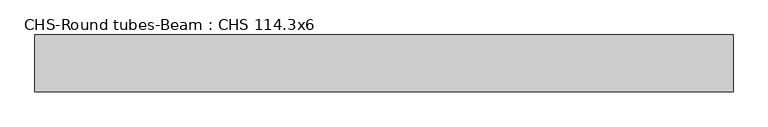
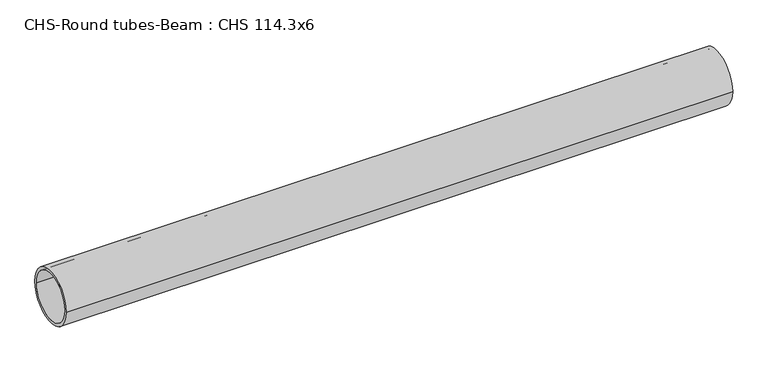
"""IFC4 building model written with IfcOpenShell, lengths in millimetres: beam geometry, CHS-Round tubes-Beam : CHS 114.3x6."""

from ifc_helpers import new_model, si_unit, point, frame, origin, origin_2d, place, context, project, spatial, circle_curve, trimmed, segment, composite_curve, outline, extrude, source, transform, mapped, element, save


def chs_round_tubes_beam_chs_114_3x6_f7d71fe4(model_context):
    return source(origin(), model_context, "Body", "SweptSolid", [
        extrude(outline(composite_curve([segment(trimmed(circle_curve(origin_2d(), 57.15), [point((57.15, 0.0))], [point((-57.15, 0.0))], False, "CARTESIAN"), True, "CONTINUOUS"), segment(trimmed(circle_curve(origin_2d(), 57.15), [point((-57.15, 0.0))], [point((57.15, 0.0))], False, "CARTESIAN"), True, "CONTINUOUS")], self_intersect=False), holes=[composite_curve([segment(trimmed(circle_curve(origin_2d(), 51.15), [point((51.15, 0.0))], [point((-51.15, 0.0))], True, "CARTESIAN"), True, "CONTINUOUS"), segment(trimmed(circle_curve(origin_2d(), 51.15), [point((-51.15, 0.0))], [point((51.15, 0.0))], True, "CARTESIAN"), True, "CONTINUOUS")], self_intersect=False)]), frame((-774.1832567, 0.0, 0.0), z_axis=(1.0, 0.0, 0.0), x_axis=(0.0, 1.0, 0.0)), (0.0, 0.0, 1.0), 1401.5161414),
    ])


if __name__ == "__main__":
    model = new_model("IFC4")
    model_context = context("Model", 3, world=origin())
    ifc_project = project(units=[si_unit("LENGTHUNIT", "METRE", prefix="MILLI")], contexts=[model_context])
    site = spatial("IfcSite", under=ifc_project)
    building = spatial("IfcBuilding", under=site)
    placement = place(None, origin())
    chs_round_tubes_beam_chs_114_3x6_shape = chs_round_tubes_beam_chs_114_3x6_f7d71fe4(model_context)
    element("IfcBeam", 1, ObjectType="CHS-Round tubes-Beam : CHS 114.3x6", at=placement, inside=building, context=model_context, shape_type="MappedRepresentation", body=[
        mapped(chs_round_tubes_beam_chs_114_3x6_shape, transform((0.0, 0.0, 0.0), x_axis=(1.0, 0.0, 0.0), y_axis=(0.0, 1.0, 0.0), z_axis=(0.0, 0.0, 1.0))),
    ])
    save(model, "model.ifc")
